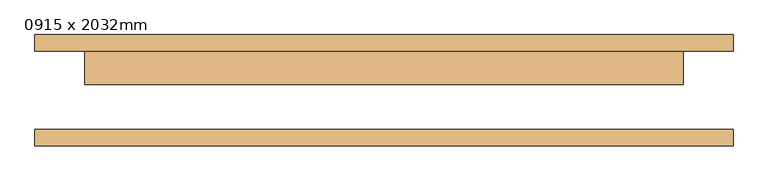
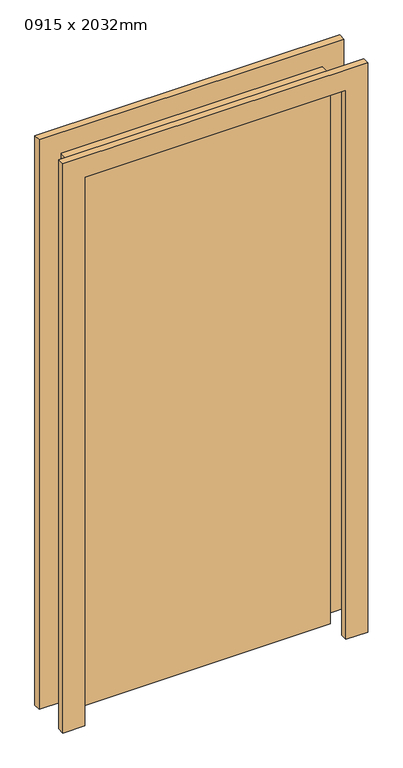
"""IFC4 building model written with IfcOpenShell, lengths in millimetres: door geometry, 0915 x 2032mm."""

from ifc_helpers import new_model, si_unit, frame, origin, origin_with_axes, place, context, project, spatial, polyline, outline, extrude, source, transform, mapped, element, save


def door_0915_x_2032mm_558f788b(model_context):
    return source(origin(), model_context, "Body", "SweptSolid", [
        extrude(outline(polyline([(2108.0, -533.5), (0.0, -533.5), (0.0, -457.5), (2032.0, -457.5), (2032.0, 457.5), (0.0, 457.5), (0.0, 533.5), (2108.0, 533.5), (2108.0, -533.5)])), frame((0.0, 60.0, 0.0), z_axis=(0.0, 1.0, 0.0), x_axis=(0.0, 0.0, 1.0)), (0.0, 0.0, 1.0), 25.0),
        extrude(outline(polyline([(2108.0, 533.5), (2108.0, -533.5), (0.0, -533.5), (0.0, -457.5), (2032.0, -457.5), (2032.0, 457.5), (0.0, 457.5), (0.0, 533.5), (2108.0, 533.5)])), frame((0.0, -85.0, 0.0), z_axis=(0.0, 1.0, 0.0), x_axis=(0.0, 0.0, 1.0)), (0.0, 0.0, 1.0), 25.0),
        extrude(outline(polyline([(457.5, 9.0), (-457.5, 9.0), (-457.5, 60.0), (457.5, 60.0), (457.5, 9.0)])), origin_with_axes(), (0.0, 0.0, 1.0), 2032.0),
    ])


if __name__ == "__main__":
    model = new_model("IFC4")
    model_context = context("Model", 3, world=origin())
    ifc_project = project(units=[si_unit("LENGTHUNIT", "METRE", prefix="MILLI")], contexts=[model_context])
    site = spatial("IfcSite", under=ifc_project)
    building = spatial("IfcBuilding", under=site)
    placement = place(None, origin())
    door_0915_x_2032mm_shape = door_0915_x_2032mm_558f788b(model_context)
    element("IfcDoor", 1, ObjectType="0915 x 2032mm", at=placement, inside=building, context=model_context, shape_type="MappedRepresentation", body=[
        mapped(door_0915_x_2032mm_shape, transform((0.0, 0.0, 0.0), x_axis=(1.0, 0.0, 0.0), y_axis=(0.0, 1.0, 0.0), z_axis=(0.0, 0.0, 1.0))),
    ])
    save(model, "model.ifc")
